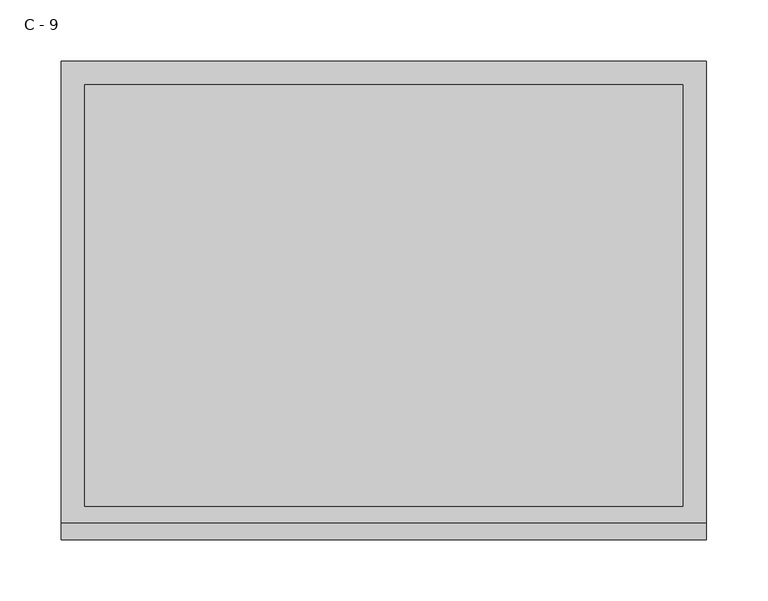
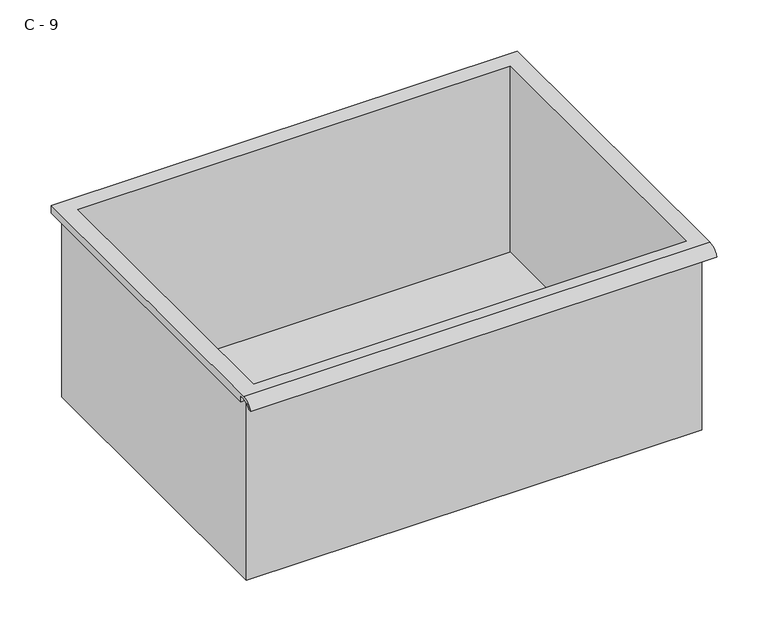
"""IFC4 building model written with IfcOpenShell, lengths in millimetres: furniture geometry, C - 9."""

from ifc_helpers import new_model, si_unit, frame, origin, place, context, project, spatial, polyline, circle_curve, source, transform, mapped, element, save
from ifc_brep_helpers import plane_surface, cylinder_surface, revolved_surface, advanced_brep


def c_9_3ff39240(model_context):
    return source(origin(), model_context, "Body", "AdvancedBrep", [
        advanced_brep(
        [(-257.1076517, -176.2125, 408.178), (257.2423483, -176.2125, 408.178), (257.2423483, -176.2125, 624.078), (263.5923483, -176.2125, 624.078), (263.5923483, -176.2125, 630.3851341), (-263.4576517, -176.2125, 630.3851341), (-263.4576517, -176.2125, 624.078), (-257.1076517, -176.2125, 624.078), (257.2423483, 185.7375, 408.178), (-257.1076517, 185.7375, 408.178), (-257.1076517, 185.7375, 624.078), (257.2423483, 185.7375, 624.078), (263.5923483, -181.6070544, 633.603), (263.5923483, 195.2625, 633.603), (-263.4576517, 195.2625, 633.603), (-263.4576517, -181.6070544, 633.603), (244.5423483, -168.275, 633.603), (-244.4076517, -168.275, 633.603), (-244.4076517, 176.2125, 633.603), (244.5423483, 176.2125, 633.603), (263.5923483, -195.2625, 624.078), (263.5923483, -191.8280601, 624.078), (263.5923483, -180.4714815, 630.3851341), (263.5923483, 195.2625, 624.078), (-263.4576517, 195.2625, 624.078), (-263.4576517, -180.4714815, 630.3851341), (-263.4576517, -191.8280601, 624.078), (-263.4576517, -195.2625, 624.078), (-244.4076517, -168.275, 411.2041719), (244.5423483, -168.275, 411.2041719), (244.5423483, 176.2125, 411.2041719), (-244.4076517, 176.2125, 411.2041719)],
        [
            (0, 1),
            (1, 2),
            (2, 3),
            (3, 4),
            (4, 5),
            (5, 6),
            (6, 7),
            (7, 0),
            (8, 9),
            (9, 10),
            (10, 11),
            (11, 8),
            (0, 9),
            (8, 1),
            (11, 2),
            (12, 13),
            (13, 14),
            (14, 15),
            (15, 12),
            (16, 17),
            (17, 18),
            (18, 19),
            (19, 16),
            (7, 10),
            (12, 20, circle_curve(frame((263.5923483, -181.6070544, 619.0519859), z_axis=(1.0, 0.0, 0.0), x_axis=(0.0, 1.0, 0.0)), 14.5510141)),
            (20, 21),
            (21, 22, circle_curve(frame((263.5923483, -181.6070544, 619.0519859), z_axis=(-1.0, 0.0, 0.0), x_axis=(0.0, 1.0, 0.0)), 11.3898979)),
            (22, 4),
            (3, 23),
            (23, 13),
            (14, 24),
            (24, 6),
            (5, 25),
            (25, 26, circle_curve(frame((-263.4576517, -181.6070544, 619.0519859), z_axis=(1.0, 0.0, 0.0), x_axis=(0.0, 1.0, 0.0)), 11.3898979)),
            (26, 27),
            (27, 15, circle_curve(frame((-263.4576517, -181.6070544, 619.0519859), z_axis=(-1.0, 0.0, 0.0), x_axis=(0.0, 1.0, 0.0)), 14.5510141)),
            (27, 20),
            (26, 21),
            (25, 22),
            (24, 23),
            (28, 29),
            (29, 30),
            (30, 31),
            (31, 28),
            (28, 17),
            (16, 29),
            (19, 30),
            (18, 31),
        ],
        [
            plane_surface(frame((257.2423483, -176.2125, 408.178), z_axis=(0.0, -1.0, 0.0), x_axis=(1.0, 0.0, 0.0))),
            plane_surface(frame((257.2423483, 185.7375, 408.178), z_axis=(0.0, 1.0, 0.0), x_axis=(-1.0, 0.0, 0.0))),
            plane_surface(frame((-257.1076517, -176.2125, 408.178), z_axis=(0.0, 0.0, -1.0), x_axis=(0.0, 1.0, 0.0))),
            plane_surface(frame((257.2423483, -176.2125, 408.178), z_axis=(1.0, 0.0, 0.0), x_axis=(0.0, 1.0, 0.0))),
            plane_surface(frame((257.2423483, -176.2125, 633.603), z_axis=(0.0, 0.0, 1.0), x_axis=(0.0, 1.0, 0.0))),
            plane_surface(frame((-257.1076517, -176.2125, 633.603), z_axis=(-1.0, 0.0, 0.0), x_axis=(0.0, 1.0, 0.0))),
            plane_surface(frame((263.5923483, 195.2625, 633.603), z_axis=(1.0, 0.0, 0.0), x_axis=(0.0, -1.0, 0.0))),
            plane_surface(frame((-263.4576517, 195.2625, 633.603), z_axis=(-1.0, 0.0, 0.0), x_axis=(0.0, 1.0, 0.0))),
            cylinder_surface(frame((-263.4576517, -181.6070544, 619.0519859), z_axis=(1.0, 0.0, 0.0), x_axis=(0.0, 1.0, 0.0)), 14.5510141),
            plane_surface(frame((263.5923483, -195.2625, 624.078), z_axis=(0.0, -7.0941728936248495e-12, -1.0), x_axis=(-1.0, 0.0, 0.0))),
            revolved_surface(polyline([(-263.4576517, -170.21715650000002, 619.0519859), (263.59234829999997, -170.21715650000002, 619.0519859)]), (-263.4576517, -181.6070544, 619.0519859), (-1.0, 0.0, 0.0)),
            plane_surface(frame((263.5923483, -180.4714815, 630.3851341), z_axis=(0.0, -1.7511809707405286e-11, -1.0), x_axis=(-1.0, 0.0, 0.0))),
            plane_surface(frame((263.5923483, -176.2125, 624.078), z_axis=(0.0, 0.0, -1.0), x_axis=(-1.0, 0.0, 0.0))),
            plane_surface(frame((263.5923483, 195.2625, 624.078), z_axis=(0.0, 1.0, 0.0), x_axis=(-1.0, 0.0, 0.0))),
            plane_surface(frame((244.5423483, -168.275, 411.2041719), z_axis=(0.0, 0.0, 1.0), x_axis=(-1.0, 0.0, 0.0))),
            plane_surface(frame((-244.4076517, -168.275, 633.603), z_axis=(0.0, 1.0, 0.0), x_axis=(0.0, 0.0, -1.0))),
            plane_surface(frame((244.5423483, -168.275, 633.603), z_axis=(-1.0, 0.0, 0.0), x_axis=(0.0, 0.0, -1.0))),
            plane_surface(frame((244.5423483, 176.2125, 633.603), z_axis=(0.0, -1.0, 0.0), x_axis=(0.0, 0.0, -1.0))),
            plane_surface(frame((-244.4076517, 176.2125, 633.603), z_axis=(1.0, 0.0, 0.0), x_axis=(0.0, 0.0, -1.0))),
        ],
        [
            (0, [[1, 2, 3, 4, 5, 6, 7, 8]]),
            (1, [[9, 10, 11, 12]]),
            (2, [[-1, 13, -9, 14]]),
            (3, [[-14, -12, 15, -2]]),
            (4, [[16, 17, 18, 19], [20, 21, 22, 23]]),
            (5, [[-13, -8, 24, -10]]),
            (6, [[-16, 25, 26, 27, 28, -4, 29, 30]]),
            (7, [[31, 32, -6, 33, 34, 35, 36, -18]]),
            (8, [[-25, -19, -36, 37]]),
            (9, [[-26, -37, -35, 38]]),
            (10, [[-27, -38, -34, 39]]),
            (11, [[-28, -39, -33, -5]]),
            (12, [[-29, -3, -15, -11, -24, -7, -32, 40]]),
            (13, [[-30, -40, -31, -17]]),
            (14, [[41, 42, 43, 44]]),
            (15, [[-41, 45, -20, 46]]),
            (16, [[-42, -46, -23, 47]]),
            (17, [[-43, -47, -22, 48]]),
            (18, [[-44, -48, -21, -45]]),
        ],
    ),
    ])


if __name__ == "__main__":
    model = new_model("IFC4")
    model_context = context("Model", 3, world=origin())
    ifc_project = project(units=[si_unit("LENGTHUNIT", "METRE", prefix="MILLI")], contexts=[model_context])
    site = spatial("IfcSite", under=ifc_project)
    building = spatial("IfcBuilding", under=site)
    placement = place(None, origin())
    c_9_shape = c_9_3ff39240(model_context)
    element("IfcFurniture", 1, ObjectType="C - 9", at=placement, inside=building, context=model_context, shape_type="MappedRepresentation", body=[
        mapped(c_9_shape, transform((0.0, 0.0, 0.0), x_axis=(1.0, 0.0, 0.0), y_axis=(0.0, 1.0, 0.0), z_axis=(0.0, 0.0, 1.0))),
    ])
    save(model, "model.ifc")
